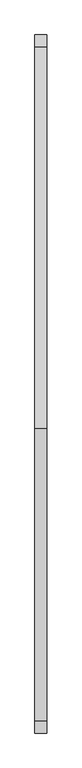
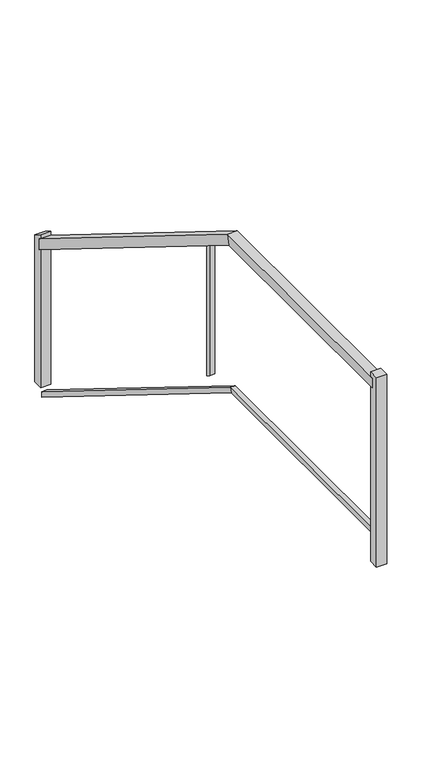
"""IFC4 building model written with IfcOpenShell, lengths in millimetres: railing geometry."""

import ifcopenshell
import ifcopenshell.guid

model = None  # the IFC model being written
_history = None  # IfcOwnerHistory: only IFC2X3 demands one
_inside = {}  # id of a spatial element -> (the spatial element, [elements in it])
_under = {}  # id of a project, library or spatial element -> (it, [spatial elements below it])
_declared = {}  # id of a project -> (the project, [libraries it declares])
_typed = {}  # id of a type object -> (the type object, [elements of that type])
_made_of = {}  # id of a material, layer set ... -> (it, [elements and type objects made of it])


def new_model(schema):
    """Start an empty IFC model of exactly this schema.

    Asked for "IFC4X3", IfcOpenShell would pick the latest addendum, in which some entities
    have other attributes; the version numbers below select the first issue.
    IFC2X3 requires an IfcOwnerHistory on every rooted entity: one is made here for all.
    """
    global model, _history
    if schema == "IFC4X3":
        model = ifcopenshell.file(schema_version=(4, 3, 0, 0))
    else:
        model = ifcopenshell.file(schema=schema)
    _inside.clear()
    _under.clear()
    _declared.clear()
    _typed.clear()
    _made_of.clear()
    _history = None
    if model.schema == "IFC2X3":
        org = make("IfcOrganization", Name="unknown")
        user = make(
            "IfcPersonAndOrganization",
            ThePerson=make("IfcPerson", FamilyName="unknown"),
            TheOrganization=org,
        )
        app = make(
            "IfcApplication",
            ApplicationDeveloper=org,
            Version="unknown",
            ApplicationFullName="unknown",
            ApplicationIdentifier="unknown",
        )
        _history = make(
            "IfcOwnerHistory",
            OwningUser=user,
            OwningApplication=app,
            ChangeAction="ADDED",
            CreationDate=0,
        )
    return model


def make(cls, **values):
    """One entity of the class cls with the attributes given. An attribute that is None is left unset."""
    return model.create_entity(
        cls, **{name: value for name, value in values.items() if value is not None}
    )


def rooted(cls, **values):
    """An entity with a GlobalId (a new one), such as an element, a storey or a relation."""
    return make(cls, GlobalId=ifcopenshell.guid.new(), OwnerHistory=_history, **values)


def si_unit(unit_type, name, prefix=None):
    """IfcSIUnit, for example si_unit("LENGTHUNIT", "METRE", prefix="MILLI")."""
    return make("IfcSIUnit", UnitType=unit_type, Prefix=prefix, Name=name)


def assignment(units):
    """IfcUnitAssignment: the units of a project."""
    return None if units is None else make("IfcUnitAssignment", Units=units)


def point(xyz):
    """IfcCartesianPoint."""
    return None if xyz is None else make("IfcCartesianPoint", Coordinates=xyz)


def direction(xyz):
    """IfcDirection."""
    return None if xyz is None else make("IfcDirection", DirectionRatios=xyz)


def frame(location, z_axis=None, x_axis=None):
    """IfcAxis2Placement3D, a coordinate frame: its origin and axes. An axis left out is left unset."""
    return make(
        "IfcAxis2Placement3D",
        Location=point(location),
        Axis=direction(z_axis),
        RefDirection=direction(x_axis),
    )


def origin():
    """The frame at (0, 0, 0) with its axes left unset."""
    return frame((0.0, 0.0, 0.0))


def place(relative_to, where):
    """IfcLocalPlacement: puts the frame where relative to a parent placement (None: the world)."""
    return make(
        "IfcLocalPlacement", PlacementRelTo=relative_to, RelativePlacement=where
    )


def context(
    kind, dimensions, precision=None, world=None, true_north=None, identifier=None
):
    """IfcGeometricRepresentationContext, for example the 3D "Model" context."""
    return make(
        "IfcGeometricRepresentationContext",
        ContextIdentifier=identifier,
        ContextType=kind,
        CoordinateSpaceDimension=dimensions,
        Precision=precision,
        WorldCoordinateSystem=world,
        TrueNorth=true_north,
    )


def project(units=None, contexts=None):
    """IfcProject with its units and contexts."""
    return rooted(
        "IfcProject",
        Name="project",
        RepresentationContexts=contexts,
        UnitsInContext=assignment(units),
    )


def spatial(cls, under=None, at=None, **own):
    """A site, building, storey or space (cls), placed at a placement, below another one or the project."""
    s = rooted(cls, ObjectPlacement=at, **own)
    if under is not None:
        _under.setdefault(under.id(), (under, []))[1].append(s)
    return s


def polyline(points):
    """IfcPolyline through the points."""
    return make("IfcPolyline", Points=[point(p) for p in points])


def outline(outer, holes=None, kind="AREA"):
    """IfcArbitraryClosedProfileDef: a profile drawn as a closed curve; with holes, ...WithVoids."""
    if holes is None:
        return make("IfcArbitraryClosedProfileDef", ProfileType=kind, OuterCurve=outer)
    return make(
        "IfcArbitraryProfileDefWithVoids",
        ProfileType=kind,
        OuterCurve=outer,
        InnerCurves=holes,
    )


def extrude(swept, where, along, depth):
    """IfcExtrudedAreaSolid: the profile swept, set in the frame where, extruded along a direction by depth."""
    return make(
        "IfcExtrudedAreaSolid",
        SweptArea=swept,
        Position=where,
        ExtrudedDirection=direction(along),
        Depth=depth,
    )


def faces_of(points, faces, orient=None, outer=None):
    """IfcFace entities. A face is a list of loops; a loop is a list of indices into points, from 0.

    orient and outer hold one flag for each loop. By default every Orientation is true, the
    first loop of a face is its IfcFaceOuterBound and the others are IfcFaceBound.
    """
    made = []
    for i, loops in enumerate(faces):
        bounds = []
        for j, loop in enumerate(loops):
            is_outer = j == 0 if outer is None else outer[i][j]
            bounds.append(
                make(
                    "IfcFaceOuterBound" if is_outer else "IfcFaceBound",
                    Bound=make("IfcPolyLoop", Polygon=[points[k] for k in loop]),
                    Orientation=True if orient is None else orient[i][j],
                )
            )
        made.append(make("IfcFace", Bounds=bounds))
    return made


def faceted_brep(points, faces, orient=None, outer=None, voids=None):
    """IfcFacetedBrep: a solid bounded by flat faces; with voids (closed shells), ...WithVoids."""
    shared = [point(p) for p in points]
    hull = make("IfcClosedShell", CfsFaces=faces_of(shared, faces, orient, outer))
    if voids is None:
        return make("IfcFacetedBrep", Outer=hull)
    return make(
        "IfcFacetedBrepWithVoids",
        Outer=hull,
        Voids=[
            make(cls, CfsFaces=faces_of(shared, fs, o, b)) for cls, fs, o, b in voids
        ],
    )


def shape(context_of_items, identifier, shape_type, items):
    """IfcShapeRepresentation: the items that make up one representation, for example the "Body"."""
    return make(
        "IfcShapeRepresentation",
        ContextOfItems=context_of_items,
        RepresentationIdentifier=identifier,
        RepresentationType=shape_type,
        Items=items,
    )


def source(mapping_origin, context_of_items, identifier, shape_type, items):
    """IfcRepresentationMap: a shape defined once, which mapped items show again and again."""
    return make(
        "IfcRepresentationMap",
        MappingOrigin=mapping_origin,
        MappedRepresentation=shape(context_of_items, identifier, shape_type, items),
    )


def transform(
    local_origin,
    x_axis=None,
    y_axis=None,
    z_axis=None,
    scale=None,
    scale2=None,
    scale3=None,
    uniform=True,
):
    """IfcCartesianTransformationOperator3D, or its non-uniform kind. x_axis, y_axis, z_axis: its Axis1, 2, 3."""
    if uniform:
        return make(
            "IfcCartesianTransformationOperator3D",
            Axis1=direction(x_axis),
            Axis2=direction(y_axis),
            LocalOrigin=point(local_origin),
            Scale=scale,
            Axis3=direction(z_axis),
        )
    return make(
        "IfcCartesianTransformationOperator3DnonUniform",
        Axis1=direction(x_axis),
        Axis2=direction(y_axis),
        LocalOrigin=point(local_origin),
        Scale=scale,
        Axis3=direction(z_axis),
        Scale2=scale2,
        Scale3=scale3,
    )


def mapped(mapping_source, mapping_target):
    """IfcMappedItem: shows the shape of a source again, moved by a transform."""
    return make(
        "IfcMappedItem", MappingSource=mapping_source, MappingTarget=mapping_target
    )


def made_of(thing, what):
    """Note that an element or type object is made of a material, layer set ...; save() writes the relation."""
    if what is not None:
        _made_of.setdefault(what.id(), (what, []))[1].append(thing)
    return thing


def element(
    cls,
    number,
    at=None,
    inside=None,
    cuts=None,
    type_object=None,
    material=None,
    context=None,
    identifier="Body",
    shape_type=None,
    held_by="IfcProductDefinitionShape",
    body=None,
    shapes=None,
    **own,
):
    """One element of the class cls, such as IfcWall. Its Tag is "e" and its number.

    at: its placement. inside: the storey or other place that contains it. cuts: it is an
    opening in that element (IfcRelVoidsElement). A single representation is given by context,
    identifier, shape_type and body (its items); several are given by shapes. held_by: the class
    of the entity that holds the representations. save() writes the other relations.
    """
    e = rooted(cls, Tag="e%d" % number, ObjectPlacement=at, **own)
    if body is not None:
        shapes = [shape(context, identifier, shape_type, body)]
    if shapes is not None:
        e.Representation = make(held_by, Representations=shapes)
    if inside is not None:
        _inside.setdefault(inside.id(), (inside, []))[1].append(e)
    if cuts is not None:
        rooted(
            "IfcRelVoidsElement", RelatingBuildingElement=cuts, RelatedOpeningElement=e
        )
    if type_object is not None:
        _typed.setdefault(type_object.id(), (type_object, []))[1].append(e)
    return made_of(e, material)


def aggregate(whole, parts):
    """IfcRelAggregates: a whole, such as a stair, and the parts it consists of."""
    return rooted("IfcRelAggregates", RelatingObject=whole, RelatedObjects=parts)


def save(model, path):
    """Write the relations noted so far, then the file.

    IfcRelAggregates (storeys below a building ...), IfcRelContainedInSpatialStructure (elements
    in a storey), IfcRelDefinesByType, IfcRelAssociatesMaterial and IfcRelDeclares: one each for
    every whole, place, type object, material and project.
    """
    for whole, parts in _under.values():
        aggregate(whole, parts)
    for where, things in _inside.values():
        rooted(
            "IfcRelContainedInSpatialStructure",
            RelatedElements=things,
            RelatingStructure=where,
        )
    for kind, things in _typed.values():
        rooted("IfcRelDefinesByType", RelatedObjects=things, RelatingType=kind)
    for what, things in _made_of.values():
        rooted("IfcRelAssociatesMaterial", RelatedObjects=things, RelatingMaterial=what)
    for by, libraries in _declared.values():
        rooted("IfcRelDeclares", RelatingContext=by, RelatedDefinitions=libraries)
    model.write(path)


def railing_5086bc0d(model_context):
    return source(origin(), model_context, "Body", "SolidModel", [
        faceted_brep([(-21123.8636151, 121108.0306038, 6227.0936501), (-21073.0636151, 121108.0306038, 6227.0936501), (-21073.0636151, 121108.0306038, 6167.3063499), (-21123.8636151, 121108.0306038, 6167.3063499), (-21123.8636151, 119483.2715565, 7235.4), (-21073.0636151, 119483.2715565, 7235.4), (-21073.0636151, 119468.7896511, 7184.6), (-21123.8636151, 119468.7896511, 7184.6), (-21123.8636151, 118231.5479475, 7235.4), (-21123.8636151, 118231.5479475, 7184.6), (-21073.0636151, 118231.5479475, 7184.6), (-21073.0636151, 118231.5479475, 7235.4)], [[[0, 1, 2, 3]], [[1, 0, 4, 5]], [[2, 1, 5, 6]], [[3, 2, 6, 7]], [[0, 3, 7, 4]], [[8, 9, 10, 11]], [[5, 4, 8, 11]], [[6, 5, 11, 10]], [[7, 6, 10, 9]], [[4, 7, 9, 8]]]),
        faceted_brep([(-21111.1636151, 121108.0306038, 5414.546825), (-21085.7636151, 121108.0306038, 5414.546825), (-21085.7636151, 121108.0306038, 5384.653175), (-21111.1636151, 121108.0306038, 5384.653175), (-21111.1636151, 119479.6510801, 6425.1), (-21085.7636151, 119479.6510801, 6425.1), (-21085.7636151, 119472.4101274, 6399.7), (-21111.1636151, 119472.4101274, 6399.7), (-21111.1636151, 118231.5479475, 6425.1), (-21111.1636151, 118231.5479475, 6399.7), (-21085.7636151, 118231.5479475, 6399.7), (-21085.7636151, 118231.5479475, 6425.1)], [[[0, 1, 2, 3]], [[1, 0, 4, 5]], [[2, 1, 5, 6]], [[3, 2, 6, 7]], [[0, 3, 7, 4]], [[8, 9, 10, 11]], [[5, 4, 8, 11]], [[6, 5, 11, 10]], [[7, 6, 10, 9]], [[4, 7, 9, 8]]]),
        extrude(outline(polyline([(119682.4892756, 7094.5741772), (119682.4892756, 6363.2253986), (119657.0892756, 6378.9883398), (119657.0892756, 7110.3371184), (119682.4892756, 7094.5741772)])), frame((-21111.1636151, 0.0, 0.0), z_axis=(1.0, 0.0, 0.0), x_axis=(0.0, 1.0, 0.0)), (0.0, 0.0, 1.0), 25.4),
        extrude(outline(polyline([(-21073.0636151, 118244.2479475), (-21073.0636151, 118193.4479475), (-21123.8636151, 118193.4479475), (-21123.8636151, 118244.2479475), (-21073.0636151, 118244.2479475)])), frame((0.0, 0.0, 6260.0), z_axis=(0.0, 0.0, 1.0), x_axis=(1.0, 0.0, 0.0)), (0.0, 0.0, 1.0), 1000.9),
        extrude(outline(polyline([(121146.1306038, 6224.4555882), (121146.1306038, 5447.2), (121095.3306038, 5447.2), (121095.3306038, 6255.9814706), (121146.1306038, 6224.4555882)])), frame((-21123.8636151, 0.0, 0.0), z_axis=(1.0, 0.0, 0.0), x_axis=(0.0, 1.0, 0.0)), (0.0, 0.0, 1.0), 50.8),
    ])


if __name__ == "__main__":
    model = new_model("IFC4")
    model_context = context("Model", 3, world=origin())
    ifc_project = project(units=[si_unit("LENGTHUNIT", "METRE", prefix="MILLI")], contexts=[model_context])
    site = spatial("IfcSite", under=ifc_project)
    building = spatial("IfcBuilding", under=site)
    placement = place(None, origin())
    railing_shape = railing_5086bc0d(model_context)
    element("IfcRailing", 1, at=placement, inside=building, context=model_context, shape_type="MappedRepresentation", body=[
        mapped(railing_shape, transform((0.0, 0.0, 0.0), x_axis=(1.0, 0.0, 0.0), y_axis=(0.0, 1.0, 0.0), z_axis=(0.0, 0.0, 1.0))),
    ])
    save(model, "model.ifc")
